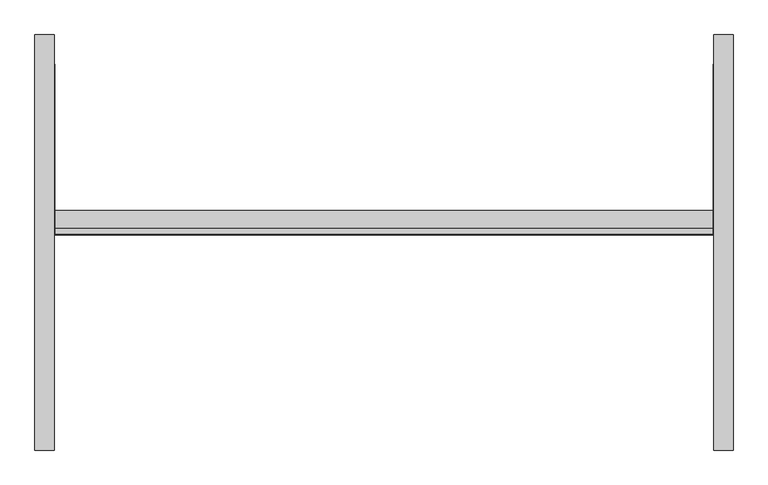
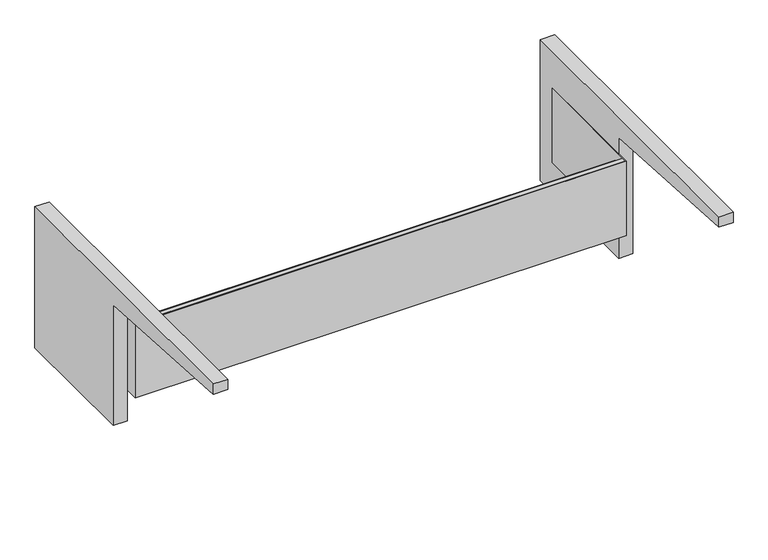
"""IFC4 building model written with IfcOpenShell, lengths in millimetres: furniture geometry."""

import ifcopenshell
import ifcopenshell.guid

model = None  # the IFC model being written
_history = None  # IfcOwnerHistory: only IFC2X3 demands one
_inside = {}  # id of a spatial element -> (the spatial element, [elements in it])
_under = {}  # id of a project, library or spatial element -> (it, [spatial elements below it])
_declared = {}  # id of a project -> (the project, [libraries it declares])
_typed = {}  # id of a type object -> (the type object, [elements of that type])
_made_of = {}  # id of a material, layer set ... -> (it, [elements and type objects made of it])


def new_model(schema):
    """Start an empty IFC model of exactly this schema.

    Asked for "IFC4X3", IfcOpenShell would pick the latest addendum, in which some entities
    have other attributes; the version numbers below select the first issue.
    IFC2X3 requires an IfcOwnerHistory on every rooted entity: one is made here for all.
    """
    global model, _history
    if schema == "IFC4X3":
        model = ifcopenshell.file(schema_version=(4, 3, 0, 0))
    else:
        model = ifcopenshell.file(schema=schema)
    _inside.clear()
    _under.clear()
    _declared.clear()
    _typed.clear()
    _made_of.clear()
    _history = None
    if model.schema == "IFC2X3":
        org = make("IfcOrganization", Name="unknown")
        user = make(
            "IfcPersonAndOrganization",
            ThePerson=make("IfcPerson", FamilyName="unknown"),
            TheOrganization=org,
        )
        app = make(
            "IfcApplication",
            ApplicationDeveloper=org,
            Version="unknown",
            ApplicationFullName="unknown",
            ApplicationIdentifier="unknown",
        )
        _history = make(
            "IfcOwnerHistory",
            OwningUser=user,
            OwningApplication=app,
            ChangeAction="ADDED",
            CreationDate=0,
        )
    return model


def make(cls, **values):
    """One entity of the class cls with the attributes given. An attribute that is None is left unset."""
    return model.create_entity(
        cls, **{name: value for name, value in values.items() if value is not None}
    )


def rooted(cls, **values):
    """An entity with a GlobalId (a new one), such as an element, a storey or a relation."""
    return make(cls, GlobalId=ifcopenshell.guid.new(), OwnerHistory=_history, **values)


def si_unit(unit_type, name, prefix=None):
    """IfcSIUnit, for example si_unit("LENGTHUNIT", "METRE", prefix="MILLI")."""
    return make("IfcSIUnit", UnitType=unit_type, Prefix=prefix, Name=name)


def assignment(units):
    """IfcUnitAssignment: the units of a project."""
    return None if units is None else make("IfcUnitAssignment", Units=units)


def point(xyz):
    """IfcCartesianPoint."""
    return None if xyz is None else make("IfcCartesianPoint", Coordinates=xyz)


def direction(xyz):
    """IfcDirection."""
    return None if xyz is None else make("IfcDirection", DirectionRatios=xyz)


def frame(location, z_axis=None, x_axis=None):
    """IfcAxis2Placement3D, a coordinate frame: its origin and axes. An axis left out is left unset."""
    return make(
        "IfcAxis2Placement3D",
        Location=point(location),
        Axis=direction(z_axis),
        RefDirection=direction(x_axis),
    )


def frame_2d(location, x_axis=None):
    """IfcAxis2Placement2D, a coordinate frame in the plane: its origin and x axis."""
    return make(
        "IfcAxis2Placement2D", Location=point(location), RefDirection=direction(x_axis)
    )


def origin():
    """The frame at (0, 0, 0) with its axes left unset."""
    return frame((0.0, 0.0, 0.0))


def place(relative_to, where):
    """IfcLocalPlacement: puts the frame where relative to a parent placement (None: the world)."""
    return make(
        "IfcLocalPlacement", PlacementRelTo=relative_to, RelativePlacement=where
    )


def context(
    kind, dimensions, precision=None, world=None, true_north=None, identifier=None
):
    """IfcGeometricRepresentationContext, for example the 3D "Model" context."""
    return make(
        "IfcGeometricRepresentationContext",
        ContextIdentifier=identifier,
        ContextType=kind,
        CoordinateSpaceDimension=dimensions,
        Precision=precision,
        WorldCoordinateSystem=world,
        TrueNorth=true_north,
    )


def project(units=None, contexts=None):
    """IfcProject with its units and contexts."""
    return rooted(
        "IfcProject",
        Name="project",
        RepresentationContexts=contexts,
        UnitsInContext=assignment(units),
    )


def spatial(cls, under=None, at=None, **own):
    """A site, building, storey or space (cls), placed at a placement, below another one or the project."""
    s = rooted(cls, ObjectPlacement=at, **own)
    if under is not None:
        _under.setdefault(under.id(), (under, []))[1].append(s)
    return s


def polyline(points):
    """IfcPolyline through the points."""
    return make("IfcPolyline", Points=[point(p) for p in points])


def circle_curve(where, radius):
    """IfcCircle in the frame where."""
    return make("IfcCircle", Position=where, Radius=radius)


def trimmed(basis, trim1, trim2, sense, master):
    """IfcTrimmedCurve: the piece of a basis curve between two trims."""
    return make(
        "IfcTrimmedCurve",
        BasisCurve=basis,
        Trim1=trim1,
        Trim2=trim2,
        SenseAgreement=sense,
        MasterRepresentation=master,
    )


def segment(curve, same_sense, transition):
    """IfcCompositeCurveSegment."""
    return make(
        "IfcCompositeCurveSegment",
        Transition=transition,
        SameSense=same_sense,
        ParentCurve=curve,
    )


def composite_curve(segments, self_intersect=None):
    """IfcCompositeCurve: segments joined end to end."""
    return make("IfcCompositeCurve", Segments=segments, SelfIntersect=self_intersect)


def outline(outer, holes=None, kind="AREA"):
    """IfcArbitraryClosedProfileDef: a profile drawn as a closed curve; with holes, ...WithVoids."""
    if holes is None:
        return make("IfcArbitraryClosedProfileDef", ProfileType=kind, OuterCurve=outer)
    return make(
        "IfcArbitraryProfileDefWithVoids",
        ProfileType=kind,
        OuterCurve=outer,
        InnerCurves=holes,
    )


def extrude(swept, where, along, depth):
    """IfcExtrudedAreaSolid: the profile swept, set in the frame where, extruded along a direction by depth."""
    return make(
        "IfcExtrudedAreaSolid",
        SweptArea=swept,
        Position=where,
        ExtrudedDirection=direction(along),
        Depth=depth,
    )


def shape(context_of_items, identifier, shape_type, items):
    """IfcShapeRepresentation: the items that make up one representation, for example the "Body"."""
    return make(
        "IfcShapeRepresentation",
        ContextOfItems=context_of_items,
        RepresentationIdentifier=identifier,
        RepresentationType=shape_type,
        Items=items,
    )


def source(mapping_origin, context_of_items, identifier, shape_type, items):
    """IfcRepresentationMap: a shape defined once, which mapped items show again and again."""
    return make(
        "IfcRepresentationMap",
        MappingOrigin=mapping_origin,
        MappedRepresentation=shape(context_of_items, identifier, shape_type, items),
    )


def transform(
    local_origin,
    x_axis=None,
    y_axis=None,
    z_axis=None,
    scale=None,
    scale2=None,
    scale3=None,
    uniform=True,
):
    """IfcCartesianTransformationOperator3D, or its non-uniform kind. x_axis, y_axis, z_axis: its Axis1, 2, 3."""
    if uniform:
        return make(
            "IfcCartesianTransformationOperator3D",
            Axis1=direction(x_axis),
            Axis2=direction(y_axis),
            LocalOrigin=point(local_origin),
            Scale=scale,
            Axis3=direction(z_axis),
        )
    return make(
        "IfcCartesianTransformationOperator3DnonUniform",
        Axis1=direction(x_axis),
        Axis2=direction(y_axis),
        LocalOrigin=point(local_origin),
        Scale=scale,
        Axis3=direction(z_axis),
        Scale2=scale2,
        Scale3=scale3,
    )


def mapped(mapping_source, mapping_target):
    """IfcMappedItem: shows the shape of a source again, moved by a transform."""
    return make(
        "IfcMappedItem", MappingSource=mapping_source, MappingTarget=mapping_target
    )


def made_of(thing, what):
    """Note that an element or type object is made of a material, layer set ...; save() writes the relation."""
    if what is not None:
        _made_of.setdefault(what.id(), (what, []))[1].append(thing)
    return thing


def element(
    cls,
    number,
    at=None,
    inside=None,
    cuts=None,
    type_object=None,
    material=None,
    context=None,
    identifier="Body",
    shape_type=None,
    held_by="IfcProductDefinitionShape",
    body=None,
    shapes=None,
    **own,
):
    """One element of the class cls, such as IfcWall. Its Tag is "e" and its number.

    at: its placement. inside: the storey or other place that contains it. cuts: it is an
    opening in that element (IfcRelVoidsElement). A single representation is given by context,
    identifier, shape_type and body (its items); several are given by shapes. held_by: the class
    of the entity that holds the representations. save() writes the other relations.
    """
    e = rooted(cls, Tag="e%d" % number, ObjectPlacement=at, **own)
    if body is not None:
        shapes = [shape(context, identifier, shape_type, body)]
    if shapes is not None:
        e.Representation = make(held_by, Representations=shapes)
    if inside is not None:
        _inside.setdefault(inside.id(), (inside, []))[1].append(e)
    if cuts is not None:
        rooted(
            "IfcRelVoidsElement", RelatingBuildingElement=cuts, RelatedOpeningElement=e
        )
    if type_object is not None:
        _typed.setdefault(type_object.id(), (type_object, []))[1].append(e)
    return made_of(e, material)


def aggregate(whole, parts):
    """IfcRelAggregates: a whole, such as a stair, and the parts it consists of."""
    return rooted("IfcRelAggregates", RelatingObject=whole, RelatedObjects=parts)


def save(model, path):
    """Write the relations noted so far, then the file.

    IfcRelAggregates (storeys below a building ...), IfcRelContainedInSpatialStructure (elements
    in a storey), IfcRelDefinesByType, IfcRelAssociatesMaterial and IfcRelDeclares: one each for
    every whole, place, type object, material and project.
    """
    for whole, parts in _under.values():
        aggregate(whole, parts)
    for where, things in _inside.values():
        rooted(
            "IfcRelContainedInSpatialStructure",
            RelatedElements=things,
            RelatingStructure=where,
        )
    for kind, things in _typed.values():
        rooted("IfcRelDefinesByType", RelatedObjects=things, RelatingType=kind)
    for what, things in _made_of.values():
        rooted("IfcRelAssociatesMaterial", RelatedObjects=things, RelatingMaterial=what)
    for by, libraries in _declared.values():
        rooted("IfcRelDeclares", RelatingContext=by, RelatedDefinitions=libraries)
    model.write(path)


def furniture_ae21c2e3(model_context):
    return source(origin(), model_context, "Body", "SweptSolid", [
        extrude(outline(composite_curve([segment(polyline([(254.0, 882.65), (254.0, 533.4), (-63.5, 533.4), (-63.5, 831.85)]), True, "CONTINUOUS"), segment(trimmed(circle_curve(frame_2d((-464.343904, -2317.7524637)), 3175.0073252), [point((-63.5, 831.85))], [point((-469.9, 857.25))], True, "CARTESIAN"), True, "CONTINUOUS"), segment(polyline([(-469.9, 857.25), (-469.9, 882.65), (254.0, 882.65)]), True, "CONTINUOUS")], self_intersect=False)), frame((574.675, 0.0, 0.0), z_axis=(1.0, 0.0, 0.0), x_axis=(0.0, 1.0, 0.0)), (0.0, 0.0, 1.0), 33.3375),
        extrude(outline(composite_curve([segment(polyline([(-469.9, 857.25), (-469.9, 882.65), (254.0, 882.65), (254.0, 533.4), (-63.5, 533.4), (-63.5, 831.85)]), True, "CONTINUOUS"), segment(trimmed(circle_curve(frame_2d((-464.343904, -2317.7524637)), 3175.0073252), [point((-63.5, 831.85))], [point((-469.9, 857.25))], True, "CARTESIAN"), True, "CONTINUOUS")], self_intersect=False)), frame((-608.0125, 0.0, 0.0), z_axis=(1.0, 0.0, 0.0), x_axis=(0.0, 1.0, 0.0)), (0.0, 0.0, 1.0), 33.3375),
        extrude(outline(polyline([(-573.0875, -93.6625), (573.0875, -93.6625), (573.0875, 203.2), (574.675, 203.2), (574.675, -95.25), (-574.675, -95.25), (-574.675, 203.2), (-573.0875, 203.2), (-573.0875, -93.6625)])), frame((0.0, 0.0, 608.9396), z_axis=(0.0, 0.0, 1.0), x_axis=(1.0, 0.0, 0.0)), (0.0, 0.0, 1.0), 184.15),
        extrude(outline(polyline([(-84.1057553, 792.29585), (-93.6625, 792.29585), (-93.6625, 770.07085), (-52.0699988, 770.07085), (-52.0699988, 608.9396), (-95.25, 608.9396), (-95.25, 793.0896), (-83.3120053, 793.0896), (-83.3120053, 786.0791994), (-84.1057553, 786.0791994), (-84.1057553, 792.29585)])), frame((-574.675, 0.0, 0.0), z_axis=(1.0, 0.0, 0.0), x_axis=(0.0, 1.0, 0.0)), (0.0, 0.0, 1.0), 1149.35),
    ])


if __name__ == "__main__":
    model = new_model("IFC4")
    model_context = context("Model", 3, world=origin())
    ifc_project = project(units=[si_unit("LENGTHUNIT", "METRE", prefix="MILLI")], contexts=[model_context])
    site = spatial("IfcSite", under=ifc_project)
    building = spatial("IfcBuilding", under=site)
    placement = place(None, origin())
    furniture_shape = furniture_ae21c2e3(model_context)
    element("IfcFurniture", 1, at=placement, inside=building, context=model_context, shape_type="MappedRepresentation", body=[
        mapped(furniture_shape, transform((0.0, 0.0, 0.0), x_axis=(1.0, 0.0, 0.0), y_axis=(0.0, 1.0, 0.0), z_axis=(0.0, 0.0, 1.0))),
    ])
    save(model, "model.ifc")
